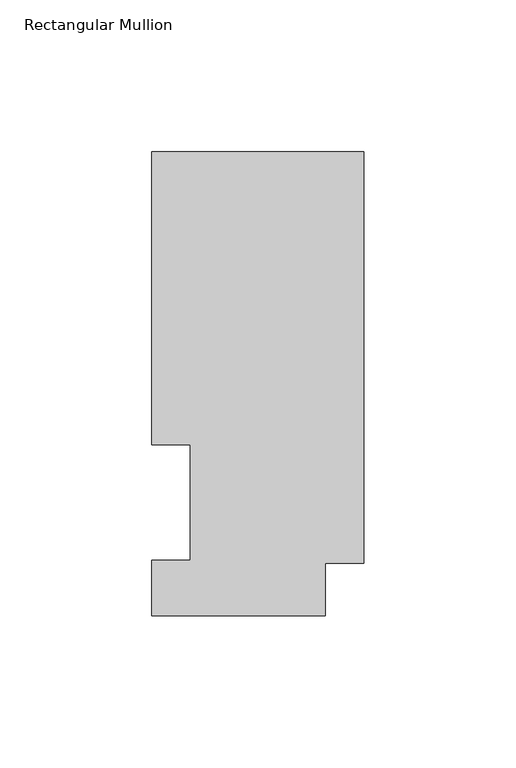
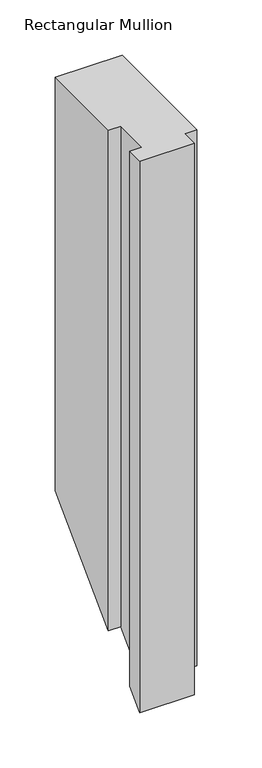
"""IFC4 building model written with IfcOpenShell, lengths in millimetres: member geometry, Rectangular Mullion."""

from ifc_helpers import new_model, si_unit, origin, place, context, project, spatial, faceted_brep, source, transform, mapped, element, save


def rectangular_mullion_c15c65da(model_context):
    return source(origin(), model_context, "Body", "Brep", [
        faceted_brep([(0.0, 152.7492337, 0.0), (-69.85, 152.7492337, 0.0), (-69.85, 56.3562337, 0.0), (-57.15, 56.3562337, 0.0), (-57.15, 18.2562337, 0.0), (-69.85, 18.2562337, 0.0), (-69.85, -0.0317663, 0.0), (-12.7, -0.0317663, 0.0), (-12.7, 17.2502333, 0.0), (0.0, 17.2502333, 0.0), (0.0, 152.7492337, -456.8190163), (-69.85, 152.7492337, -456.8190163), (-69.85, 56.3562337, -553.2120163), (-57.15, 56.3562337, -553.2120163), (-57.15, 18.2562337, -591.3120163), (-69.85, 18.2562337, -591.3120163), (-69.85, -0.0317663, -609.6000163), (-12.7, -0.0317663, -609.6000163), (-12.7, 17.2502333, -592.3180167), (0.0, 17.2502333, -592.3180167)], [[[0, 1, 2, 3, 4, 5, 6, 7, 8, 9]], [[1, 0, 10, 11]], [[2, 1, 11, 12]], [[3, 2, 12, 13]], [[4, 3, 13, 14]], [[5, 4, 14, 15]], [[6, 5, 15, 16]], [[7, 6, 16, 17]], [[8, 7, 17, 18]], [[9, 8, 18, 19]], [[0, 9, 19, 10]], [[10, 19, 18, 17, 16, 15, 14, 13, 12, 11]]]),
    ])


if __name__ == "__main__":
    model = new_model("IFC4")
    model_context = context("Model", 3, world=origin())
    ifc_project = project(units=[si_unit("LENGTHUNIT", "METRE", prefix="MILLI")], contexts=[model_context])
    site = spatial("IfcSite", under=ifc_project)
    building = spatial("IfcBuilding", under=site)
    placement = place(None, origin())
    rectangular_mullion_shape = rectangular_mullion_c15c65da(model_context)
    element("IfcMember", 1, ObjectType="Rectangular Mullion", at=placement, inside=building, context=model_context, shape_type="MappedRepresentation", body=[
        mapped(rectangular_mullion_shape, transform((0.0, 0.0, 0.0), x_axis=(1.0, 0.0, 0.0), y_axis=(0.0, 1.0, 0.0), z_axis=(0.0, 0.0, 1.0))),
    ])
    save(model, "model.ifc")
